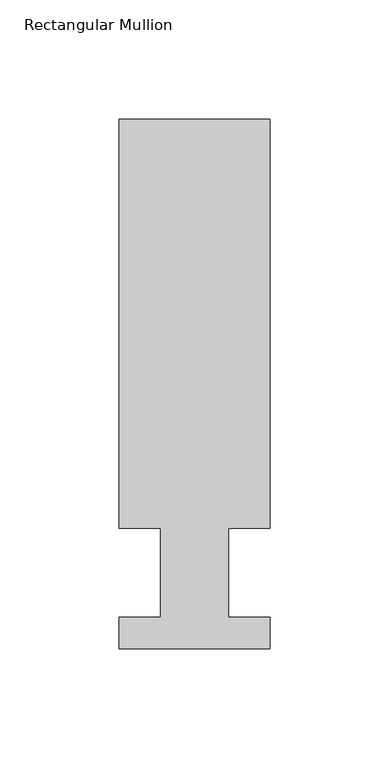
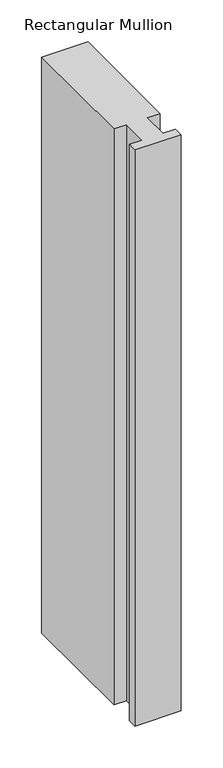
"""IFC4 building model written with IfcOpenShell, lengths in millimetres: member geometry, Rectangular Mullion."""

from ifc_helpers import new_model, si_unit, frame, origin, place, context, project, spatial, polyline, outline, extrude, source, transform, mapped, element, save


def rectangular_mullion_1f60576d(model_context):
    return source(origin(), model_context, "Body", "SweptSolid", [
        extrude(outline(polyline([(-31.7500006, 222.5381313), (31.7499994, 222.5381313), (31.7499994, 50.8087295), (14.2747994, 50.8087295), (14.2747994, 13.3945312), (31.7499994, 13.3945312), (31.7499994, 0.2119312), (-31.7500006, 0.2119312), (-31.7500006, 13.3945312), (-14.2747998, 13.3945312), (-14.2747998, 50.8087295), (-31.7500006, 50.8087295), (-31.7500006, 222.5381313)])), frame((0.0, 0.0, -838.2000001), z_axis=(0.0, 0.0, 1.0), x_axis=(1.0, 0.0, 0.0)), (0.0, 0.0, 1.0), 838.2000001),
    ])


if __name__ == "__main__":
    model = new_model("IFC4")
    model_context = context("Model", 3, world=origin())
    ifc_project = project(units=[si_unit("LENGTHUNIT", "METRE", prefix="MILLI")], contexts=[model_context])
    site = spatial("IfcSite", under=ifc_project)
    building = spatial("IfcBuilding", under=site)
    placement = place(None, origin())
    rectangular_mullion_shape = rectangular_mullion_1f60576d(model_context)
    element("IfcMember", 1, ObjectType="Rectangular Mullion", at=placement, inside=building, context=model_context, shape_type="MappedRepresentation", body=[
        mapped(rectangular_mullion_shape, transform((0.0, 0.0, 0.0), x_axis=(1.0, 0.0, 0.0), y_axis=(0.0, 1.0, 0.0), z_axis=(0.0, 0.0, 1.0))),
    ])
    save(model, "model.ifc")
